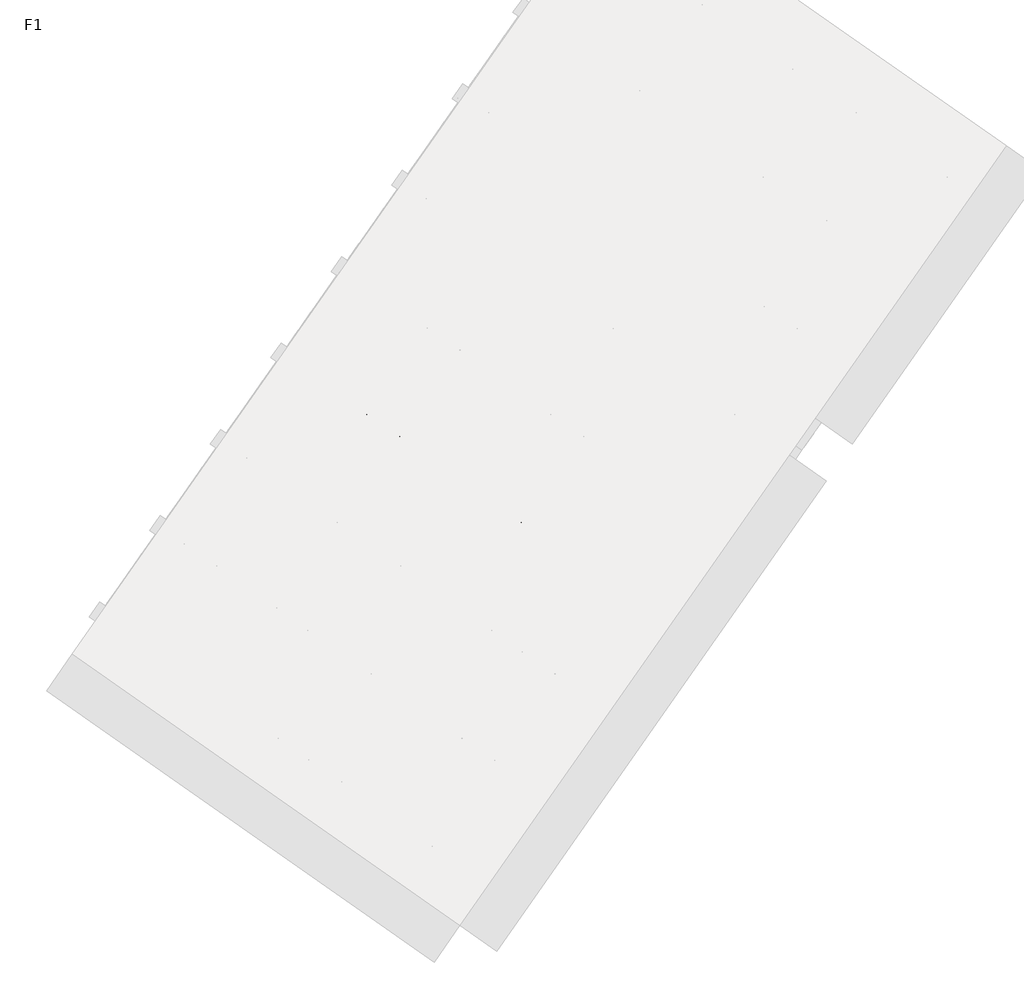
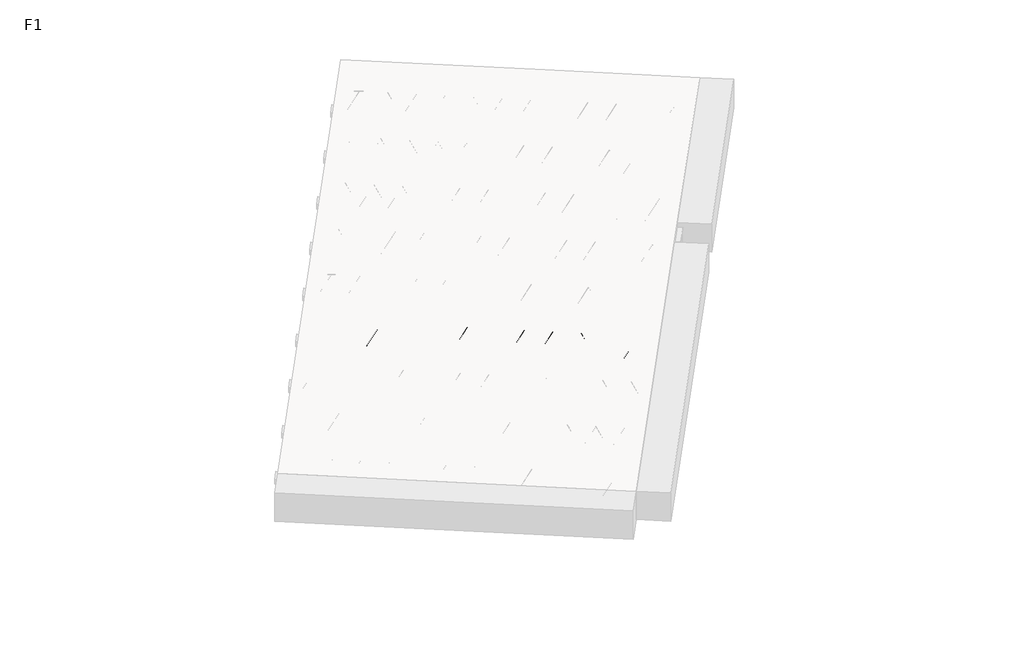
# One storey, part 7 of 30: 1 beam.
"""IFC4 building model written with IfcOpenShell, lengths in millimetres."""

from ifc_helpers import new_model, si_unit, point, frame, origin, origin_2d, place, context, project, spatial, circle_curve, trimmed, segment, composite_curve, outline, extrude, element, save

model = new_model("IFC4")

# Units and contexts
model_context = context("Model", 3, world=origin())
ifc_project = project(units=[si_unit("LENGTHUNIT", "METRE", prefix="MILLI")], contexts=[model_context])

# Site, building, storey
site = spatial("IfcSite", under=ifc_project)
building = spatial("IfcBuilding", under=site)
storey = spatial("IfcBuildingStorey", under=building, Name="F1", Elevation=99520.0)

# Beam
placement = place(None, origin())
element("IfcBeam", 1, at=placement, inside=storey, context=model_context, shape_type="SweptSolid", body=[
    extrude(outline(composite_curve([segment(trimmed(circle_curve(origin_2d(), 2.5), [point((-2.5, 0.0))], [point((2.4999999, 0.0))], False, "CARTESIAN"), True, "CONTINUOUS"), segment(trimmed(circle_curve(origin_2d(), 2.5), [point((2.4999999, 0.0))], [point((-2.5, 0.0))], False, "CARTESIAN"), True, "CONTINUOUS")], self_intersect=False)), frame((8273.6739634, -3944.6916457, 99745.0), z_axis=(-0.8191520442696126, 0.5735764363787226, 0.0), x_axis=(0.5735764363787226, 0.8191520442696126, 0.0)), (0.0, 0.0, 1.0), 3192.0),
    extrude(outline(composite_curve([segment(trimmed(circle_curve(origin_2d(), 2.5), [point((-2.5000001, 0.0))], [point((2.5, 0.0))], False, "CARTESIAN"), True, "CONTINUOUS"), segment(trimmed(circle_curve(origin_2d(), 2.5), [point((2.5, 0.0))], [point((-2.5000001, 0.0))], False, "CARTESIAN"), True, "CONTINUOUS")], self_intersect=False)), frame((8154.2477155, -3817.1206014, 99970.0), z_axis=(-0.8191520442696126, 0.5735764363787226, 0.0), x_axis=(0.5735764363787226, 0.8191520442696126, 0.0)), (0.0, 0.0, 1.0), 2850.0),
    extrude(outline(composite_curve([segment(trimmed(circle_curve(origin_2d(), 2.5), [point((-2.5, 0.0))], [point((2.5, 0.0))], False, "CARTESIAN"), True, "CONTINUOUS"), segment(trimmed(circle_curve(origin_2d(), 2.5), [point((2.5, 0.0))], [point((-2.5, 0.0))], False, "CARTESIAN"), True, "CONTINUOUS")], self_intersect=False)), frame((8195.0353671, -3889.6283078, 99745.0), z_axis=(-0.3145304735701046, 0.38933448886848654, 0.8657304643902053), x_axis=(0.7778747638402499, 0.6284193279813057, 0.0)), (0.0, 0.0, 1.0), 259.8961331),
    extrude(outline(composite_curve([segment(trimmed(circle_curve(origin_2d(), 2.5), [point((2.5, 0.0))], [point((-2.5, 1e-07))], False, "CARTESIAN"), True, "CONTINUOUS"), segment(trimmed(circle_curve(origin_2d(), 2.5), [point((-2.5, 1e-07))], [point((2.5, 0.0))], False, "CARTESIAN"), True, "CONTINUOUS")], self_intersect=False)), frame((7990.247356, -3746.2341987, 99745.0), z_axis=(0.47343050384693375, -0.16240172737369005, 0.8657304643902051), x_axis=(-0.3244721671091268, -0.9458952440791246, 0.0)), (0.0, 0.0, 1.0), 259.8961331),
    extrude(outline(composite_curve([segment(trimmed(circle_curve(origin_2d(), 2.5), [point((-2.5, 0.0))], [point((2.5, 0.0))], False, "CARTESIAN"), True, "CONTINUOUS"), segment(trimmed(circle_curve(origin_2d(), 2.5), [point((2.5, 0.0))], [point((-2.5, 0.0))], False, "CARTESIAN"), True, "CONTINUOUS")], self_intersect=False)), frame((7990.247356, -3746.2341987, 99745.0), z_axis=(-0.3145304735701046, 0.38933448886848654, 0.8657304643902053), x_axis=(0.7778747638402499, 0.6284193279813057, 0.0)), (0.0, 0.0, 1.0), 259.8961331),
    extrude(outline(composite_curve([segment(trimmed(circle_curve(origin_2d(), 2.5), [point((2.5, 0.0))], [point((-2.5, 0.0))], False, "CARTESIAN"), True, "CONTINUOUS"), segment(trimmed(circle_curve(origin_2d(), 2.5), [point((-2.5, 0.0))], [point((2.5, 0.0))], False, "CARTESIAN"), True, "CONTINUOUS")], self_intersect=False)), frame((7785.459345, -3602.8400896, 99745.0), z_axis=(0.47343050384693375, -0.16240172737369005, 0.8657304643902051), x_axis=(-0.3244721671091268, -0.9458952440791246, 0.0)), (0.0, 0.0, 1.0), 259.8961331),
    extrude(outline(composite_curve([segment(trimmed(circle_curve(origin_2d(), 2.5), [point((-2.5, 0.0))], [point((2.5, 0.0))], False, "CARTESIAN"), True, "CONTINUOUS"), segment(trimmed(circle_curve(origin_2d(), 2.5), [point((2.5, 0.0))], [point((-2.5, 0.0))], False, "CARTESIAN"), True, "CONTINUOUS")], self_intersect=False)), frame((7785.459345, -3602.8400896, 99745.0), z_axis=(-0.3145304735701046, 0.38933448886848654, 0.8657304643902053), x_axis=(0.7778747638402499, 0.6284193279813057, 0.0)), (0.0, 0.0, 1.0), 259.8961331),
    extrude(outline(composite_curve([segment(trimmed(circle_curve(origin_2d(), 2.5), [point((2.5, 0.0))], [point((-2.5, 0.0))], False, "CARTESIAN"), True, "CONTINUOUS"), segment(trimmed(circle_curve(origin_2d(), 2.5), [point((-2.5, 0.0))], [point((2.5, 0.0))], False, "CARTESIAN"), True, "CONTINUOUS")], self_intersect=False)), frame((7580.6713339, -3459.4459805, 99745.0), z_axis=(0.47343050384693375, -0.16240172737369005, 0.8657304643902051), x_axis=(-0.3244721671091268, -0.9458952440791246, 0.0)), (0.0, 0.0, 1.0), 259.8961331),
    extrude(outline(composite_curve([segment(trimmed(circle_curve(origin_2d(), 2.5), [point((-2.5, 0.0))], [point((2.5, 0.0))], False, "CARTESIAN"), True, "CONTINUOUS"), segment(trimmed(circle_curve(origin_2d(), 2.5), [point((2.5, 0.0))], [point((-2.5, 0.0))], False, "CARTESIAN"), True, "CONTINUOUS")], self_intersect=False)), frame((7580.6713339, -3459.4459805, 99745.0), z_axis=(-0.3145304735701046, 0.38933448886848654, 0.8657304643902053), x_axis=(0.7778747638402499, 0.6284193279813057, 0.0)), (0.0, 0.0, 1.0), 259.8961331),
    extrude(outline(composite_curve([segment(trimmed(circle_curve(origin_2d(), 2.5), [point((2.5, 0.0))], [point((-2.5, 1e-07))], False, "CARTESIAN"), True, "CONTINUOUS"), segment(trimmed(circle_curve(origin_2d(), 2.5), [point((-2.5, 1e-07))], [point((2.5, 0.0))], False, "CARTESIAN"), True, "CONTINUOUS")], self_intersect=False)), frame((7375.8833228, -3316.0518714, 99745.0), z_axis=(0.47343050384693375, -0.16240172737369005, 0.8657304643902051), x_axis=(-0.3244721671091268, -0.9458952440791246, 0.0)), (0.0, 0.0, 1.0), 259.8961331),
    extrude(outline(composite_curve([segment(trimmed(circle_curve(origin_2d(), 2.5), [point((-2.5, 0.0))], [point((2.5, 0.0))], False, "CARTESIAN"), True, "CONTINUOUS"), segment(trimmed(circle_curve(origin_2d(), 2.5), [point((2.5, 0.0))], [point((-2.5, 0.0))], False, "CARTESIAN"), True, "CONTINUOUS")], self_intersect=False)), frame((7375.8833228, -3316.0518714, 99745.0), z_axis=(-0.3145304735701046, 0.38933448886848654, 0.8657304643902053), x_axis=(0.7778747638402499, 0.6284193279813057, 0.0)), (0.0, 0.0, 1.0), 259.8961331),
    extrude(outline(composite_curve([segment(trimmed(circle_curve(origin_2d(), 2.5), [point((2.5, 0.0))], [point((-2.5, 0.0))], False, "CARTESIAN"), True, "CONTINUOUS"), segment(trimmed(circle_curve(origin_2d(), 2.5), [point((-2.5, 0.0))], [point((2.5, 0.0))], False, "CARTESIAN"), True, "CONTINUOUS")], self_intersect=False)), frame((7171.0953118, -3172.6577623, 99745.0), z_axis=(0.47343050384693375, -0.16240172737369005, 0.8657304643902051), x_axis=(-0.3244721671091268, -0.9458952440791246, 0.0)), (0.0, 0.0, 1.0), 259.8961331),
    extrude(outline(composite_curve([segment(trimmed(circle_curve(origin_2d(), 2.5), [point((-2.5, 0.0))], [point((2.5, 0.0))], False, "CARTESIAN"), True, "CONTINUOUS"), segment(trimmed(circle_curve(origin_2d(), 2.5), [point((2.5, 0.0))], [point((-2.5, 0.0))], False, "CARTESIAN"), True, "CONTINUOUS")], self_intersect=False)), frame((7171.0953118, -3172.6577623, 99745.0), z_axis=(-0.3145304735701046, 0.38933448886848654, 0.8657304643902053), x_axis=(0.7778747638402499, 0.6284193279813057, 0.0)), (0.0, 0.0, 1.0), 259.8961331),
    extrude(outline(composite_curve([segment(trimmed(circle_curve(origin_2d(), 2.5), [point((2.5, 0.0))], [point((-2.5, 0.0))], False, "CARTESIAN"), True, "CONTINUOUS"), segment(trimmed(circle_curve(origin_2d(), 2.5), [point((-2.5, 0.0))], [point((2.5, 0.0))], False, "CARTESIAN"), True, "CONTINUOUS")], self_intersect=False)), frame((6966.3073007, -3029.2636532, 99745.0), z_axis=(0.47343050384693375, -0.16240172737369005, 0.8657304643902051), x_axis=(-0.3244721671091268, -0.9458952440791246, 0.0)), (0.0, 0.0, 1.0), 259.8961331),
    extrude(outline(composite_curve([segment(trimmed(circle_curve(origin_2d(), 2.5), [point((-2.5, 0.0))], [point((2.5, 0.0))], False, "CARTESIAN"), True, "CONTINUOUS"), segment(trimmed(circle_curve(origin_2d(), 2.5), [point((2.5, 0.0))], [point((-2.5, 0.0))], False, "CARTESIAN"), True, "CONTINUOUS")], self_intersect=False)), frame((6966.3073007, -3029.2636532, 99745.0), z_axis=(-0.3145304735701046, 0.38933448886848654, 0.8657304643902053), x_axis=(0.7778747638402499, 0.6284193279813057, 0.0)), (0.0, 0.0, 1.0), 259.8961331),
    extrude(outline(composite_curve([segment(trimmed(circle_curve(origin_2d(), 2.5), [point((2.5, 0.0))], [point((-2.5, 1e-07))], False, "CARTESIAN"), True, "CONTINUOUS"), segment(trimmed(circle_curve(origin_2d(), 2.5), [point((-2.5, 1e-07))], [point((2.5, 0.0))], False, "CARTESIAN"), True, "CONTINUOUS")], self_intersect=False)), frame((6761.5192896, -2885.8695441, 99745.0), z_axis=(0.47343050384693375, -0.16240172737369005, 0.8657304643902051), x_axis=(-0.3244721671091268, -0.9458952440791246, 0.0)), (0.0, 0.0, 1.0), 259.8961331),
    extrude(outline(composite_curve([segment(trimmed(circle_curve(origin_2d(), 2.5), [point((-2.5, 0.0))], [point((2.5, 0.0))], False, "CARTESIAN"), True, "CONTINUOUS"), segment(trimmed(circle_curve(origin_2d(), 2.5), [point((2.5, 0.0))], [point((-2.5, 0.0))], False, "CARTESIAN"), True, "CONTINUOUS")], self_intersect=False)), frame((6761.5192896, -2885.8695441, 99745.0), z_axis=(-0.3145304735701046, 0.38933448886848654, 0.8657304643902053), x_axis=(0.7778747638402499, 0.6284193279813057, 0.0)), (0.0, 0.0, 1.0), 259.8961331),
    extrude(outline(composite_curve([segment(trimmed(circle_curve(origin_2d(), 2.5), [point((2.5, 0.0))], [point((-2.5, 0.0))], False, "CARTESIAN"), True, "CONTINUOUS"), segment(trimmed(circle_curve(origin_2d(), 2.5), [point((-2.5, 0.0))], [point((2.5, 0.0))], False, "CARTESIAN"), True, "CONTINUOUS")], self_intersect=False)), frame((6556.7312786, -2742.475435, 99745.0), z_axis=(0.47343050384693375, -0.16240172737369005, 0.8657304643902051), x_axis=(-0.3244721671091268, -0.9458952440791246, 0.0)), (0.0, 0.0, 1.0), 259.8961331),
    extrude(outline(composite_curve([segment(trimmed(circle_curve(origin_2d(), 2.5), [point((-2.5, 0.0))], [point((2.5, 0.0))], False, "CARTESIAN"), True, "CONTINUOUS"), segment(trimmed(circle_curve(origin_2d(), 2.5), [point((2.5, 0.0))], [point((-2.5, 0.0))], False, "CARTESIAN"), True, "CONTINUOUS")], self_intersect=False)), frame((6556.7312786, -2742.475435, 99745.0), z_axis=(-0.3145304735701046, 0.38933448886848654, 0.8657304643902053), x_axis=(0.7778747638402499, 0.6284193279813057, 0.0)), (0.0, 0.0, 1.0), 259.8961331),
    extrude(outline(composite_curve([segment(trimmed(circle_curve(origin_2d(), 2.5), [point((2.5, 0.0))], [point((-2.5, 0.0))], False, "CARTESIAN"), True, "CONTINUOUS"), segment(trimmed(circle_curve(origin_2d(), 2.5), [point((-2.5, 0.0))], [point((2.5, 0.0))], False, "CARTESIAN"), True, "CONTINUOUS")], self_intersect=False)), frame((6351.9432675, -2599.0813259, 99745.0), z_axis=(0.47343050384693375, -0.16240172737369005, 0.8657304643902051), x_axis=(-0.3244721671091268, -0.9458952440791246, 0.0)), (0.0, 0.0, 1.0), 259.8961331),
    extrude(outline(composite_curve([segment(trimmed(circle_curve(origin_2d(), 2.5), [point((-2.5, 0.0))], [point((2.5, 0.0))], False, "CARTESIAN"), True, "CONTINUOUS"), segment(trimmed(circle_curve(origin_2d(), 2.5), [point((2.5, 0.0))], [point((-2.5, 0.0))], False, "CARTESIAN"), True, "CONTINUOUS")], self_intersect=False)), frame((6351.9432675, -2599.0813259, 99745.0), z_axis=(-0.3145304735701046, 0.38933448886848654, 0.8657304643902053), x_axis=(0.7778747638402499, 0.6284193279813057, 0.0)), (0.0, 0.0, 1.0), 259.8961331),
    extrude(outline(composite_curve([segment(trimmed(circle_curve(origin_2d(), 2.5), [point((2.5, 0.0))], [point((-2.5, 1e-07))], False, "CARTESIAN"), True, "CONTINUOUS"), segment(trimmed(circle_curve(origin_2d(), 2.5), [point((-2.5, 1e-07))], [point((2.5, 0.0))], False, "CARTESIAN"), True, "CONTINUOUS")], self_intersect=False)), frame((6147.1552564, -2455.6872168, 99745.0), z_axis=(0.47343050384693375, -0.16240172737369005, 0.8657304643902051), x_axis=(-0.3244721671091268, -0.9458952440791246, 0.0)), (0.0, 0.0, 1.0), 259.8961331),
    extrude(outline(composite_curve([segment(trimmed(circle_curve(origin_2d(), 2.5), [point((-2.5, 0.0))], [point((2.5, 0.0))], False, "CARTESIAN"), True, "CONTINUOUS"), segment(trimmed(circle_curve(origin_2d(), 2.5), [point((2.5, 0.0))], [point((-2.5, 0.0))], False, "CARTESIAN"), True, "CONTINUOUS")], self_intersect=False)), frame((6147.1552564, -2455.6872168, 99745.0), z_axis=(-0.3145304735701046, 0.38933448886848654, 0.8657304643902053), x_axis=(0.7778747638402499, 0.6284193279813057, 0.0)), (0.0, 0.0, 1.0), 259.8961331),
    extrude(outline(composite_curve([segment(trimmed(circle_curve(origin_2d(), 2.5), [point((2.5, -1e-07))], [point((-2.5, 0.0))], False, "CARTESIAN"), True, "CONTINUOUS"), segment(trimmed(circle_curve(origin_2d(), 2.5), [point((-2.5, 0.0))], [point((2.5, -1e-07))], False, "CARTESIAN"), True, "CONTINUOUS")], self_intersect=False)), frame((5942.3672454, -2312.2931077, 99745.0), z_axis=(0.47343050384693375, -0.16240172737369005, 0.8657304643902051), x_axis=(-0.3244721671091268, -0.9458952440791246, 0.0)), (0.0, 0.0, 1.0), 259.8961331),
    extrude(outline(composite_curve([segment(trimmed(circle_curve(origin_2d(), 2.5), [point((-2.5, 0.0))], [point((2.5, 0.0))], False, "CARTESIAN"), True, "CONTINUOUS"), segment(trimmed(circle_curve(origin_2d(), 2.5), [point((2.5, 0.0))], [point((-2.5, 0.0))], False, "CARTESIAN"), True, "CONTINUOUS")], self_intersect=False)), frame((5942.3672454, -2312.2931077, 99745.0), z_axis=(-0.3145304735701046, 0.38933448886848654, 0.8657304643902053), x_axis=(0.7778747638402499, 0.6284193279813057, 0.0)), (0.0, 0.0, 1.0), 259.8961331),
    extrude(outline(composite_curve([segment(trimmed(circle_curve(origin_2d(), 2.5), [point((2.5, 0.0))], [point((-2.5, 0.0))], False, "CARTESIAN"), True, "CONTINUOUS"), segment(trimmed(circle_curve(origin_2d(), 2.5), [point((-2.5, 0.0))], [point((2.5, 0.0))], False, "CARTESIAN"), True, "CONTINUOUS")], self_intersect=False)), frame((5737.5792343, -2168.8989986, 99745.0), z_axis=(0.47343050384693375, -0.16240172737369005, 0.8657304643902051), x_axis=(-0.3244721671091268, -0.9458952440791246, 0.0)), (0.0, 0.0, 1.0), 259.8961331),
    extrude(outline(composite_curve([segment(trimmed(circle_curve(origin_2d(), 2.5), [point((-2.5, 0.0))], [point((2.5, 0.0))], False, "CARTESIAN"), True, "CONTINUOUS"), segment(trimmed(circle_curve(origin_2d(), 2.5), [point((2.5, 0.0))], [point((-2.5, 0.0))], False, "CARTESIAN"), True, "CONTINUOUS")], self_intersect=False)), frame((8314.9714668, -3885.7126985, 99745.0), z_axis=(-0.8191520442696126, 0.5735764363787226, 0.0), x_axis=(0.5735764363787226, 0.8191520442696126, 0.0)), (0.0, 0.0, 1.0), 3192.0),
    extrude(outline(composite_curve([segment(trimmed(circle_curve(origin_2d(), 2.5), [point((-2.5, 0.0))], [point((2.5, 0.0))], False, "CARTESIAN"), True, "CONTINUOUS"), segment(trimmed(circle_curve(origin_2d(), 2.5), [point((2.5, 0.0))], [point((-2.5, 0.0))], False, "CARTESIAN"), True, "CONTINUOUS")], self_intersect=False)), frame((8236.3328705, -3830.6493606, 99745.0), z_axis=(-0.47343050384693375, 0.16240172737369005, 0.8657304643902051), x_axis=(0.3244721671091268, 0.9458952440791246, 0.0)), (0.0, 0.0, 1.0), 259.8961331),
    extrude(outline(composite_curve([segment(trimmed(circle_curve(origin_2d(), 2.5), [point((2.5000001, -1e-07))], [point((-2.5, 0.0))], False, "CARTESIAN"), True, "CONTINUOUS"), segment(trimmed(circle_curve(origin_2d(), 2.5), [point((-2.5, 0.0))], [point((2.5000001, -1e-07))], False, "CARTESIAN"), True, "CONTINUOUS")], self_intersect=False)), frame((8031.5448595, -3687.2552515, 99745.0), z_axis=(0.3145304735701046, -0.38933448886848654, 0.8657304643902053), x_axis=(-0.7778747638402499, -0.6284193279813057, 0.0)), (0.0, 0.0, 1.0), 259.8961331),
    extrude(outline(composite_curve([segment(trimmed(circle_curve(origin_2d(), 2.5), [point((-2.5, 1e-07))], [point((2.5, 0.0))], False, "CARTESIAN"), True, "CONTINUOUS"), segment(trimmed(circle_curve(origin_2d(), 2.5), [point((2.5, 0.0))], [point((-2.5, 1e-07))], False, "CARTESIAN"), True, "CONTINUOUS")], self_intersect=False)), frame((8031.5448595, -3687.2552515, 99745.0), z_axis=(-0.47343050384693375, 0.16240172737369005, 0.8657304643902051), x_axis=(0.3244721671091268, 0.9458952440791246, 0.0)), (0.0, 0.0, 1.0), 259.8961331),
    extrude(outline(composite_curve([segment(trimmed(circle_curve(origin_2d(), 2.5), [point((2.5, 0.0))], [point((-2.5, 0.0))], False, "CARTESIAN"), True, "CONTINUOUS"), segment(trimmed(circle_curve(origin_2d(), 2.5), [point((-2.5, 0.0))], [point((2.5, 0.0))], False, "CARTESIAN"), True, "CONTINUOUS")], self_intersect=False)), frame((7826.7568484, -3543.8611424, 99745.0), z_axis=(0.3145304735701046, -0.38933448886848654, 0.8657304643902053), x_axis=(-0.7778747638402499, -0.6284193279813057, 0.0)), (0.0, 0.0, 1.0), 259.8961331),
    extrude(outline(composite_curve([segment(trimmed(circle_curve(origin_2d(), 2.5), [point((-2.5, 0.0))], [point((2.5, 0.0))], False, "CARTESIAN"), True, "CONTINUOUS"), segment(trimmed(circle_curve(origin_2d(), 2.5), [point((2.5, 0.0))], [point((-2.5, 0.0))], False, "CARTESIAN"), True, "CONTINUOUS")], self_intersect=False)), frame((7826.7568484, -3543.8611424, 99745.0), z_axis=(-0.47343050384693375, 0.16240172737369005, 0.8657304643902051), x_axis=(0.3244721671091268, 0.9458952440791246, 0.0)), (0.0, 0.0, 1.0), 259.8961331),
    extrude(outline(composite_curve([segment(trimmed(circle_curve(origin_2d(), 2.5), [point((2.5, 0.0))], [point((-2.5, 0.0))], False, "CARTESIAN"), True, "CONTINUOUS"), segment(trimmed(circle_curve(origin_2d(), 2.5), [point((-2.5, 0.0))], [point((2.5, 0.0))], False, "CARTESIAN"), True, "CONTINUOUS")], self_intersect=False)), frame((7621.9688373, -3400.4670333, 99745.0), z_axis=(0.3145304735701046, -0.38933448886848654, 0.8657304643902053), x_axis=(-0.7778747638402499, -0.6284193279813057, 0.0)), (0.0, 0.0, 1.0), 259.8961331),
    extrude(outline(composite_curve([segment(trimmed(circle_curve(origin_2d(), 2.5), [point((-2.5, 0.0))], [point((2.5, 0.0))], False, "CARTESIAN"), True, "CONTINUOUS"), segment(trimmed(circle_curve(origin_2d(), 2.5), [point((2.5, 0.0))], [point((-2.5, 0.0))], False, "CARTESIAN"), True, "CONTINUOUS")], self_intersect=False)), frame((7621.9688373, -3400.4670333, 99745.0), z_axis=(-0.47343050384693375, 0.16240172737369005, 0.8657304643902051), x_axis=(0.3244721671091268, 0.9458952440791246, 0.0)), (0.0, 0.0, 1.0), 259.8961331),
    extrude(outline(composite_curve([segment(trimmed(circle_curve(origin_2d(), 2.5), [point((2.5000001, -1e-07))], [point((-2.5, 0.0))], False, "CARTESIAN"), True, "CONTINUOUS"), segment(trimmed(circle_curve(origin_2d(), 2.5), [point((-2.5, 0.0))], [point((2.5000001, -1e-07))], False, "CARTESIAN"), True, "CONTINUOUS")], self_intersect=False)), frame((7417.1808263, -3257.0729242, 99745.0), z_axis=(0.3145304735701046, -0.38933448886848654, 0.8657304643902053), x_axis=(-0.7778747638402499, -0.6284193279813057, 0.0)), (0.0, 0.0, 1.0), 259.8961331),
    extrude(outline(composite_curve([segment(trimmed(circle_curve(origin_2d(), 2.5), [point((-2.5, 1e-07))], [point((2.5, 0.0))], False, "CARTESIAN"), True, "CONTINUOUS"), segment(trimmed(circle_curve(origin_2d(), 2.5), [point((2.5, 0.0))], [point((-2.5, 1e-07))], False, "CARTESIAN"), True, "CONTINUOUS")], self_intersect=False)), frame((7417.1808263, -3257.0729242, 99745.0), z_axis=(-0.47343050384693375, 0.16240172737369005, 0.8657304643902051), x_axis=(0.3244721671091268, 0.9458952440791246, 0.0)), (0.0, 0.0, 1.0), 259.8961331),
    extrude(outline(composite_curve([segment(trimmed(circle_curve(origin_2d(), 2.5), [point((2.5, 0.0))], [point((-2.5, 0.0))], False, "CARTESIAN"), True, "CONTINUOUS"), segment(trimmed(circle_curve(origin_2d(), 2.5), [point((-2.5, 0.0))], [point((2.5, 0.0))], False, "CARTESIAN"), True, "CONTINUOUS")], self_intersect=False)), frame((7212.3928152, -3113.6788151, 99745.0), z_axis=(0.3145304735701046, -0.38933448886848654, 0.8657304643902053), x_axis=(-0.7778747638402499, -0.6284193279813057, 0.0)), (0.0, 0.0, 1.0), 259.8961331),
    extrude(outline(composite_curve([segment(trimmed(circle_curve(origin_2d(), 2.5), [point((-2.5, 0.0))], [point((2.5, 0.0))], False, "CARTESIAN"), True, "CONTINUOUS"), segment(trimmed(circle_curve(origin_2d(), 2.5), [point((2.5, 0.0))], [point((-2.5, 0.0))], False, "CARTESIAN"), True, "CONTINUOUS")], self_intersect=False)), frame((7212.3928152, -3113.6788151, 99745.0), z_axis=(-0.47343050384693375, 0.16240172737369005, 0.8657304643902051), x_axis=(0.3244721671091268, 0.9458952440791246, 0.0)), (0.0, 0.0, 1.0), 259.8961331),
    extrude(outline(composite_curve([segment(trimmed(circle_curve(origin_2d(), 2.5), [point((2.5, 0.0))], [point((-2.5, 0.0))], False, "CARTESIAN"), True, "CONTINUOUS"), segment(trimmed(circle_curve(origin_2d(), 2.5), [point((-2.5, 0.0))], [point((2.5, 0.0))], False, "CARTESIAN"), True, "CONTINUOUS")], self_intersect=False)), frame((7007.6048041, -2970.284706, 99745.0), z_axis=(0.3145304735701046, -0.38933448886848654, 0.8657304643902053), x_axis=(-0.7778747638402499, -0.6284193279813057, 0.0)), (0.0, 0.0, 1.0), 259.8961331),
    extrude(outline(composite_curve([segment(trimmed(circle_curve(origin_2d(), 2.5), [point((-2.5, 0.0))], [point((2.5, 0.0))], False, "CARTESIAN"), True, "CONTINUOUS"), segment(trimmed(circle_curve(origin_2d(), 2.5), [point((2.5, 0.0))], [point((-2.5, 0.0))], False, "CARTESIAN"), True, "CONTINUOUS")], self_intersect=False)), frame((7007.6048041, -2970.284706, 99745.0), z_axis=(-0.47343050384693375, 0.16240172737369005, 0.8657304643902051), x_axis=(0.3244721671091268, 0.9458952440791246, 0.0)), (0.0, 0.0, 1.0), 259.8961331),
    extrude(outline(composite_curve([segment(trimmed(circle_curve(origin_2d(), 2.5), [point((2.5000001, -1e-07))], [point((-2.5, 0.0))], False, "CARTESIAN"), True, "CONTINUOUS"), segment(trimmed(circle_curve(origin_2d(), 2.5), [point((-2.5, 0.0))], [point((2.5000001, -1e-07))], False, "CARTESIAN"), True, "CONTINUOUS")], self_intersect=False)), frame((6802.8167931, -2826.8905969, 99745.0), z_axis=(0.3145304735701046, -0.38933448886848654, 0.8657304643902053), x_axis=(-0.7778747638402499, -0.6284193279813057, 0.0)), (0.0, 0.0, 1.0), 259.8961331),
    extrude(outline(composite_curve([segment(trimmed(circle_curve(origin_2d(), 2.5), [point((-2.5, 1e-07))], [point((2.5, 0.0))], False, "CARTESIAN"), True, "CONTINUOUS"), segment(trimmed(circle_curve(origin_2d(), 2.5), [point((2.5, 0.0))], [point((-2.5, 1e-07))], False, "CARTESIAN"), True, "CONTINUOUS")], self_intersect=False)), frame((6802.8167931, -2826.8905969, 99745.0), z_axis=(-0.47343050384693375, 0.16240172737369005, 0.8657304643902051), x_axis=(0.3244721671091268, 0.9458952440791246, 0.0)), (0.0, 0.0, 1.0), 259.8961331),
    extrude(outline(composite_curve([segment(trimmed(circle_curve(origin_2d(), 2.5), [point((2.5, 0.0))], [point((-2.5, 0.0))], False, "CARTESIAN"), True, "CONTINUOUS"), segment(trimmed(circle_curve(origin_2d(), 2.5), [point((-2.5, 0.0))], [point((2.5, 0.0))], False, "CARTESIAN"), True, "CONTINUOUS")], self_intersect=False)), frame((6598.028782, -2683.4964878, 99745.0), z_axis=(0.3145304735701046, -0.38933448886848654, 0.8657304643902053), x_axis=(-0.7778747638402499, -0.6284193279813057, 0.0)), (0.0, 0.0, 1.0), 259.8961331),
    extrude(outline(composite_curve([segment(trimmed(circle_curve(origin_2d(), 2.5), [point((-2.5, 0.0))], [point((2.5, 0.0))], False, "CARTESIAN"), True, "CONTINUOUS"), segment(trimmed(circle_curve(origin_2d(), 2.5), [point((2.5, 0.0))], [point((-2.5, 0.0))], False, "CARTESIAN"), True, "CONTINUOUS")], self_intersect=False)), frame((6598.028782, -2683.4964878, 99745.0), z_axis=(-0.47343050384693375, 0.16240172737369005, 0.8657304643902051), x_axis=(0.3244721671091268, 0.9458952440791246, 0.0)), (0.0, 0.0, 1.0), 259.8961331),
    extrude(outline(composite_curve([segment(trimmed(circle_curve(origin_2d(), 2.5), [point((2.5, 1e-07))], [point((-2.5, 0.0))], False, "CARTESIAN"), True, "CONTINUOUS"), segment(trimmed(circle_curve(origin_2d(), 2.5), [point((-2.5, 0.0))], [point((2.5, 1e-07))], False, "CARTESIAN"), True, "CONTINUOUS")], self_intersect=False)), frame((6393.2407709, -2540.1023787, 99745.0), z_axis=(0.3145304735701046, -0.38933448886848654, 0.8657304643902053), x_axis=(-0.7778747638402499, -0.6284193279813057, 0.0)), (0.0, 0.0, 1.0), 259.8961331),
    extrude(outline(composite_curve([segment(trimmed(circle_curve(origin_2d(), 2.5), [point((-2.5, 0.0))], [point((2.5, 0.0))], False, "CARTESIAN"), True, "CONTINUOUS"), segment(trimmed(circle_curve(origin_2d(), 2.5), [point((2.5, 0.0))], [point((-2.5, 0.0))], False, "CARTESIAN"), True, "CONTINUOUS")], self_intersect=False)), frame((6393.2407709, -2540.1023787, 99745.0), z_axis=(-0.47343050384693375, 0.16240172737369005, 0.8657304643902051), x_axis=(0.3244721671091268, 0.9458952440791246, 0.0)), (0.0, 0.0, 1.0), 259.8961331),
    extrude(outline(composite_curve([segment(trimmed(circle_curve(origin_2d(), 2.5), [point((2.5000001, 0.0))], [point((-2.5, 0.0))], False, "CARTESIAN"), True, "CONTINUOUS"), segment(trimmed(circle_curve(origin_2d(), 2.5), [point((-2.5, 0.0))], [point((2.5000001, 0.0))], False, "CARTESIAN"), True, "CONTINUOUS")], self_intersect=False)), frame((6188.4527599, -2396.7082696, 99745.0), z_axis=(0.3145304735701046, -0.38933448886848654, 0.8657304643902053), x_axis=(-0.7778747638402499, -0.6284193279813057, 0.0)), (0.0, 0.0, 1.0), 259.8961331),
    extrude(outline(composite_curve([segment(trimmed(circle_curve(origin_2d(), 2.5), [point((-2.5, 1e-07))], [point((2.5, 0.0))], False, "CARTESIAN"), True, "CONTINUOUS"), segment(trimmed(circle_curve(origin_2d(), 2.5), [point((2.5, 0.0))], [point((-2.5, 1e-07))], False, "CARTESIAN"), True, "CONTINUOUS")], self_intersect=False)), frame((6188.4527599, -2396.7082696, 99745.0), z_axis=(-0.47343050384693375, 0.16240172737369005, 0.8657304643902051), x_axis=(0.3244721671091268, 0.9458952440791246, 0.0)), (0.0, 0.0, 1.0), 259.8961331),
    extrude(outline(composite_curve([segment(trimmed(circle_curve(origin_2d(), 2.5), [point((2.5, 1e-07))], [point((-2.5, 0.0))], False, "CARTESIAN"), True, "CONTINUOUS"), segment(trimmed(circle_curve(origin_2d(), 2.5), [point((-2.5, 0.0))], [point((2.5, 1e-07))], False, "CARTESIAN"), True, "CONTINUOUS")], self_intersect=False)), frame((5983.6647488, -2253.3141605, 99745.0), z_axis=(0.3145304735701046, -0.38933448886848654, 0.8657304643902053), x_axis=(-0.7778747638402499, -0.6284193279813057, 0.0)), (0.0, 0.0, 1.0), 259.8961331),
    extrude(outline(composite_curve([segment(trimmed(circle_curve(origin_2d(), 2.5), [point((-2.5000001, 0.0))], [point((2.5, 0.0))], False, "CARTESIAN"), True, "CONTINUOUS"), segment(trimmed(circle_curve(origin_2d(), 2.5), [point((2.5, 0.0))], [point((-2.5000001, 0.0))], False, "CARTESIAN"), True, "CONTINUOUS")], self_intersect=False)), frame((5983.6647488, -2253.3141605, 99745.0), z_axis=(-0.47343050384693375, 0.16240172737369005, 0.8657304643902051), x_axis=(0.3244721671091268, 0.9458952440791246, 0.0)), (0.0, 0.0, 1.0), 259.8961331),
    extrude(outline(composite_curve([segment(trimmed(circle_curve(origin_2d(), 2.5), [point((2.5, 1e-07))], [point((-2.5, 0.0))], False, "CARTESIAN"), True, "CONTINUOUS"), segment(trimmed(circle_curve(origin_2d(), 2.5), [point((-2.5, 0.0))], [point((2.5, 1e-07))], False, "CARTESIAN"), True, "CONTINUOUS")], self_intersect=False)), frame((5778.8767377, -2109.9200514, 99745.0), z_axis=(0.3145304735701046, -0.38933448886848654, 0.8657304643902053), x_axis=(-0.7778747638402499, -0.6284193279813057, 0.0)), (0.0, 0.0, 1.0), 259.8961331),
])

save(model, "model.ifc")
